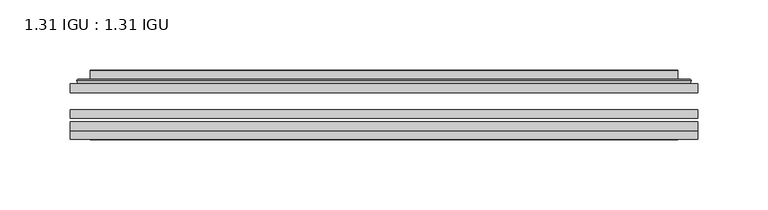
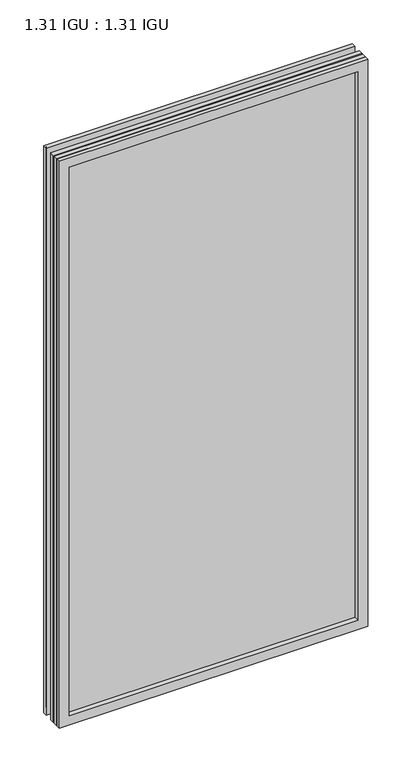
"""IFC4 building model written with IfcOpenShell, lengths in millimetres: plate geometry, 1.31 IGU : 1.31 IGU."""

import ifcopenshell
import ifcopenshell.guid

model = None  # the IFC model being written
_history = None  # IfcOwnerHistory: only IFC2X3 demands one
_inside = {}  # id of a spatial element -> (the spatial element, [elements in it])
_under = {}  # id of a project, library or spatial element -> (it, [spatial elements below it])
_declared = {}  # id of a project -> (the project, [libraries it declares])
_typed = {}  # id of a type object -> (the type object, [elements of that type])
_made_of = {}  # id of a material, layer set ... -> (it, [elements and type objects made of it])


def new_model(schema):
    """Start an empty IFC model of exactly this schema.

    Asked for "IFC4X3", IfcOpenShell would pick the latest addendum, in which some entities
    have other attributes; the version numbers below select the first issue.
    IFC2X3 requires an IfcOwnerHistory on every rooted entity: one is made here for all.
    """
    global model, _history
    if schema == "IFC4X3":
        model = ifcopenshell.file(schema_version=(4, 3, 0, 0))
    else:
        model = ifcopenshell.file(schema=schema)
    _inside.clear()
    _under.clear()
    _declared.clear()
    _typed.clear()
    _made_of.clear()
    _history = None
    if model.schema == "IFC2X3":
        org = make("IfcOrganization", Name="unknown")
        user = make(
            "IfcPersonAndOrganization",
            ThePerson=make("IfcPerson", FamilyName="unknown"),
            TheOrganization=org,
        )
        app = make(
            "IfcApplication",
            ApplicationDeveloper=org,
            Version="unknown",
            ApplicationFullName="unknown",
            ApplicationIdentifier="unknown",
        )
        _history = make(
            "IfcOwnerHistory",
            OwningUser=user,
            OwningApplication=app,
            ChangeAction="ADDED",
            CreationDate=0,
        )
    return model


def make(cls, **values):
    """One entity of the class cls with the attributes given. An attribute that is None is left unset."""
    return model.create_entity(
        cls, **{name: value for name, value in values.items() if value is not None}
    )


def rooted(cls, **values):
    """An entity with a GlobalId (a new one), such as an element, a storey or a relation."""
    return make(cls, GlobalId=ifcopenshell.guid.new(), OwnerHistory=_history, **values)


def si_unit(unit_type, name, prefix=None):
    """IfcSIUnit, for example si_unit("LENGTHUNIT", "METRE", prefix="MILLI")."""
    return make("IfcSIUnit", UnitType=unit_type, Prefix=prefix, Name=name)


def assignment(units):
    """IfcUnitAssignment: the units of a project."""
    return None if units is None else make("IfcUnitAssignment", Units=units)


def point(xyz):
    """IfcCartesianPoint."""
    return None if xyz is None else make("IfcCartesianPoint", Coordinates=xyz)


def direction(xyz):
    """IfcDirection."""
    return None if xyz is None else make("IfcDirection", DirectionRatios=xyz)


def frame(location, z_axis=None, x_axis=None):
    """IfcAxis2Placement3D, a coordinate frame: its origin and axes. An axis left out is left unset."""
    return make(
        "IfcAxis2Placement3D",
        Location=point(location),
        Axis=direction(z_axis),
        RefDirection=direction(x_axis),
    )


def origin():
    """The frame at (0, 0, 0) with its axes left unset."""
    return frame((0.0, 0.0, 0.0))


def place(relative_to, where):
    """IfcLocalPlacement: puts the frame where relative to a parent placement (None: the world)."""
    return make(
        "IfcLocalPlacement", PlacementRelTo=relative_to, RelativePlacement=where
    )


def context(
    kind, dimensions, precision=None, world=None, true_north=None, identifier=None
):
    """IfcGeometricRepresentationContext, for example the 3D "Model" context."""
    return make(
        "IfcGeometricRepresentationContext",
        ContextIdentifier=identifier,
        ContextType=kind,
        CoordinateSpaceDimension=dimensions,
        Precision=precision,
        WorldCoordinateSystem=world,
        TrueNorth=true_north,
    )


def project(units=None, contexts=None):
    """IfcProject with its units and contexts."""
    return rooted(
        "IfcProject",
        Name="project",
        RepresentationContexts=contexts,
        UnitsInContext=assignment(units),
    )


def spatial(cls, under=None, at=None, **own):
    """A site, building, storey or space (cls), placed at a placement, below another one or the project."""
    s = rooted(cls, ObjectPlacement=at, **own)
    if under is not None:
        _under.setdefault(under.id(), (under, []))[1].append(s)
    return s


def polyline(points):
    """IfcPolyline through the points."""
    return make("IfcPolyline", Points=[point(p) for p in points])


def ellipse_curve(where, semi_axis1, semi_axis2):
    """IfcEllipse in the frame where."""
    return make(
        "IfcEllipse", Position=where, SemiAxis1=semi_axis1, SemiAxis2=semi_axis2
    )


def outline(outer, holes=None, kind="AREA"):
    """IfcArbitraryClosedProfileDef: a profile drawn as a closed curve; with holes, ...WithVoids."""
    if holes is None:
        return make("IfcArbitraryClosedProfileDef", ProfileType=kind, OuterCurve=outer)
    return make(
        "IfcArbitraryProfileDefWithVoids",
        ProfileType=kind,
        OuterCurve=outer,
        InnerCurves=holes,
    )


def extrude(swept, where, along, depth):
    """IfcExtrudedAreaSolid: the profile swept, set in the frame where, extruded along a direction by depth."""
    return make(
        "IfcExtrudedAreaSolid",
        SweptArea=swept,
        Position=where,
        ExtrudedDirection=direction(along),
        Depth=depth,
    )


def faces_of(points, faces, orient=None, outer=None):
    """IfcFace entities. A face is a list of loops; a loop is a list of indices into points, from 0.

    orient and outer hold one flag for each loop. By default every Orientation is true, the
    first loop of a face is its IfcFaceOuterBound and the others are IfcFaceBound.
    """
    made = []
    for i, loops in enumerate(faces):
        bounds = []
        for j, loop in enumerate(loops):
            is_outer = j == 0 if outer is None else outer[i][j]
            bounds.append(
                make(
                    "IfcFaceOuterBound" if is_outer else "IfcFaceBound",
                    Bound=make("IfcPolyLoop", Polygon=[points[k] for k in loop]),
                    Orientation=True if orient is None else orient[i][j],
                )
            )
        made.append(make("IfcFace", Bounds=bounds))
    return made


def faceted_brep(points, faces, orient=None, outer=None, voids=None):
    """IfcFacetedBrep: a solid bounded by flat faces; with voids (closed shells), ...WithVoids."""
    shared = [point(p) for p in points]
    hull = make("IfcClosedShell", CfsFaces=faces_of(shared, faces, orient, outer))
    if voids is None:
        return make("IfcFacetedBrep", Outer=hull)
    return make(
        "IfcFacetedBrepWithVoids",
        Outer=hull,
        Voids=[
            make(cls, CfsFaces=faces_of(shared, fs, o, b)) for cls, fs, o, b in voids
        ],
    )


def shape(context_of_items, identifier, shape_type, items):
    """IfcShapeRepresentation: the items that make up one representation, for example the "Body"."""
    return make(
        "IfcShapeRepresentation",
        ContextOfItems=context_of_items,
        RepresentationIdentifier=identifier,
        RepresentationType=shape_type,
        Items=items,
    )


def source(mapping_origin, context_of_items, identifier, shape_type, items):
    """IfcRepresentationMap: a shape defined once, which mapped items show again and again."""
    return make(
        "IfcRepresentationMap",
        MappingOrigin=mapping_origin,
        MappedRepresentation=shape(context_of_items, identifier, shape_type, items),
    )


def transform(
    local_origin,
    x_axis=None,
    y_axis=None,
    z_axis=None,
    scale=None,
    scale2=None,
    scale3=None,
    uniform=True,
):
    """IfcCartesianTransformationOperator3D, or its non-uniform kind. x_axis, y_axis, z_axis: its Axis1, 2, 3."""
    if uniform:
        return make(
            "IfcCartesianTransformationOperator3D",
            Axis1=direction(x_axis),
            Axis2=direction(y_axis),
            LocalOrigin=point(local_origin),
            Scale=scale,
            Axis3=direction(z_axis),
        )
    return make(
        "IfcCartesianTransformationOperator3DnonUniform",
        Axis1=direction(x_axis),
        Axis2=direction(y_axis),
        LocalOrigin=point(local_origin),
        Scale=scale,
        Axis3=direction(z_axis),
        Scale2=scale2,
        Scale3=scale3,
    )


def mapped(mapping_source, mapping_target):
    """IfcMappedItem: shows the shape of a source again, moved by a transform."""
    return make(
        "IfcMappedItem", MappingSource=mapping_source, MappingTarget=mapping_target
    )


def made_of(thing, what):
    """Note that an element or type object is made of a material, layer set ...; save() writes the relation."""
    if what is not None:
        _made_of.setdefault(what.id(), (what, []))[1].append(thing)
    return thing


def element(
    cls,
    number,
    at=None,
    inside=None,
    cuts=None,
    type_object=None,
    material=None,
    context=None,
    identifier="Body",
    shape_type=None,
    held_by="IfcProductDefinitionShape",
    body=None,
    shapes=None,
    **own,
):
    """One element of the class cls, such as IfcWall. Its Tag is "e" and its number.

    at: its placement. inside: the storey or other place that contains it. cuts: it is an
    opening in that element (IfcRelVoidsElement). A single representation is given by context,
    identifier, shape_type and body (its items); several are given by shapes. held_by: the class
    of the entity that holds the representations. save() writes the other relations.
    """
    e = rooted(cls, Tag="e%d" % number, ObjectPlacement=at, **own)
    if body is not None:
        shapes = [shape(context, identifier, shape_type, body)]
    if shapes is not None:
        e.Representation = make(held_by, Representations=shapes)
    if inside is not None:
        _inside.setdefault(inside.id(), (inside, []))[1].append(e)
    if cuts is not None:
        rooted(
            "IfcRelVoidsElement", RelatingBuildingElement=cuts, RelatedOpeningElement=e
        )
    if type_object is not None:
        _typed.setdefault(type_object.id(), (type_object, []))[1].append(e)
    return made_of(e, material)


def aggregate(whole, parts):
    """IfcRelAggregates: a whole, such as a stair, and the parts it consists of."""
    return rooted("IfcRelAggregates", RelatingObject=whole, RelatedObjects=parts)


def save(model, path):
    """Write the relations noted so far, then the file.

    IfcRelAggregates (storeys below a building ...), IfcRelContainedInSpatialStructure (elements
    in a storey), IfcRelDefinesByType, IfcRelAssociatesMaterial and IfcRelDeclares: one each for
    every whole, place, type object, material and project.
    """
    for whole, parts in _under.values():
        aggregate(whole, parts)
    for where, things in _inside.values():
        rooted(
            "IfcRelContainedInSpatialStructure",
            RelatedElements=things,
            RelatingStructure=where,
        )
    for kind, things in _typed.values():
        rooted("IfcRelDefinesByType", RelatedObjects=things, RelatingType=kind)
    for what, things in _made_of.values():
        rooted("IfcRelAssociatesMaterial", RelatedObjects=things, RelatingMaterial=what)
    for by, libraries in _declared.values():
        rooted("IfcRelDeclares", RelatingContext=by, RelatedDefinitions=libraries)
    model.write(path)


def plane_surface(at):
    """IfcPlane: the flat surface through the origin of the frame at, square to its z axis."""
    return make("IfcPlane", Position=at)


def cylinder_surface(at, radius):
    """IfcCylindricalSurface: all points at the distance radius from the z axis of the frame at."""
    return make("IfcCylindricalSurface", Position=at, Radius=radius)


def advanced_brep(points, edges, surfaces, faces):
    """IfcAdvancedBrep: a solid bounded by faces that lie on surfaces and meet in shared edges.

    An edge is (start, end): straight between two places in points (the first is 0);
    or (start, end, curve); or (start, end, curve, False) where it runs against its curve.
    A face is (place in surfaces, loops), or (place, loops, False) where it looks against
    its surface's normal. A loop lists edges by number (the first is 1), with a minus sign
    where the edge is run from its end to its start. The first loop is the outer one.
    """
    corners = [point(p) for p in points]
    vertices = [make("IfcVertexPoint", VertexGeometry=c) for c in corners]
    made = []
    for start, end, *more in edges:
        made.append(
            make(
                "IfcEdgeCurve",
                EdgeStart=vertices[start],
                EdgeEnd=vertices[end],
                EdgeGeometry=more[0] if more else make("IfcPolyline", Points=[corners[start], corners[end]]),
                SameSense=more[1] if len(more) > 1 else True,
            )
        )
    hull = []
    for where, loops, *sense in faces:
        bounds = []
        for j, loop in enumerate(loops):
            ring = [make("IfcOrientedEdge", EdgeElement=made[abs(k) - 1], Orientation=k > 0) for k in loop]
            bounds.append(
                make(
                    "IfcFaceOuterBound" if j == 0 else "IfcFaceBound",
                    Bound=make("IfcEdgeLoop", EdgeList=ring),
                    Orientation=True,
                )
            )
        hull.append(make("IfcAdvancedFace", Bounds=bounds, FaceSurface=surfaces[where], SameSense=sense[0] if sense else True))
    return make("IfcAdvancedBrep", Outer=make("IfcClosedShell", CfsFaces=hull))


def plate_1_31_igu_1_31_igu_6e822919(model_context):
    return source(origin(), model_context, "Body", "SolidModel", [
        extrude(outline(polyline([(223.851675, -63.59525), (223.851675, -69.94525), (-223.8375, -69.94525), (-223.8375, -63.59525), (223.851675, -63.59525)])), frame((0.0, 0.0, -14.2875), z_axis=(0.0, 0.0, 1.0), x_axis=(1.0, 0.0, 0.0)), (0.0, 0.0, 1.0), 869.9537979),
        extrude(outline(polyline([(-223.8375, -78.58125), (-223.8375, -72.230745), (223.851675, -72.230745), (223.851675, -78.58125), (-223.8375, -78.58125)])), frame((0.0, 0.0, -14.2875), z_axis=(0.0, 0.0, 1.0), x_axis=(1.0, 0.0, 0.0)), (0.0, 0.0, 1.0), 869.9537979),
        extrude(outline(polyline([(223.851675, -45.25645), (223.851675, -51.60645), (-223.8375, -51.60645), (-223.8375, -45.25645), (223.851675, -45.25645)])), frame((0.0, 0.0, -14.2875), z_axis=(0.0, 0.0, 1.0), x_axis=(1.0, 0.0, 0.0)), (0.0, 0.0, 1.0), 869.9537979),
        faceted_brep([(-223.8502, -84.93125, 855.6752), (-223.8502, -78.58125, 855.6752), (-223.8502, -78.58125, -14.3002), (-223.8502, -84.93125, -14.3002), (223.8502, -78.58125, -14.3002), (223.8502, -84.93125, -14.3002), (223.8502, -78.58125, 855.6752), (223.8502, -84.93125, 855.6752), (-208.6522559, -78.58125, 0.8977441), (208.6522559, -78.58125, 0.8977441), (208.6522559, -78.58125, 840.4772559), (-208.6522559, -78.58125, 840.4772559), (-209.5446902, -84.93125, 841.3696902), (209.5446902, -84.93125, 841.3696902), (209.5446902, -84.93125, 0.0053098), (-209.5446902, -84.93125, 0.0053098)], [[[0, 1, 2, 3]], [[3, 2, 4, 5]], [[5, 4, 6, 7]], [[1, 6, 4, 2], [8, 9, 10, 11]], [[7, 6, 1, 0]], [[3, 5, 7, 0], [12, 13, 14, 15]], [[11, 12, 15, 8]], [[8, 15, 14, 9]], [[9, 14, 13, 10]], [[10, 13, 12, 11]]]),
        advanced_brep(
        [(-216.596219, -45.25645, 848.4212191), (-218.9504244, -43.2667833, 850.7754244), (-218.9504244, -43.2667833, -9.4004244), (-216.596219, -45.25645, -7.046219), (-207.5218939, -41.416413, 839.3468939), (-202.5870621, -45.25645, 834.4120621), (-202.5870621, -45.25645, 6.9629379), (-207.5218939, -41.416413, 2.0281061), (-208.5539217, -36.0191819, 840.3789217), (-208.5539217, -36.0191819, 0.9960783), (-209.5445784, -35.6202069, 841.3695784), (-209.5445784, -35.6202069, 0.0054216), (-209.5445784, -42.08145, 841.3695784), (-209.5445784, -42.08145, 0.0054216), (-217.9486349, -42.08145, 849.7736349), (-217.9486349, -42.08145, -8.3986349), (218.9504244, -43.2667833, -9.4004244), (216.596219, -45.25645, -7.046219), (202.5870621, -45.25645, 6.9629379), (207.5218939, -41.416413, 2.0281061), (208.5539217, -36.0191819, 0.9960783), (209.5445784, -35.6202069, 0.0054216), (209.5445784, -42.08145, 0.0054216), (217.9486349, -42.08145, -8.3986349), (218.9504244, -43.2667833, 850.7754244), (216.596219, -45.25645, 848.4212191), (202.5870621, -45.25645, 834.4120621), (207.5218939, -41.416413, 839.3468939), (208.5539217, -36.0191819, 840.3789217), (209.5445784, -35.6202069, 841.3695784), (209.5445784, -42.08145, 841.3695784), (217.9486349, -42.08145, 849.7736349)],
        [
            (0, 1, ellipse_curve(frame((-216.596219, -42.86885, 848.4212191), z_axis=(-0.7071067811865475, 0.0, -0.7071067811865475), x_axis=(-0.7071067811865474, 0.0, 0.7071067811865476)), 3.3765763, 2.3876)),
            (1, 2),
            (2, 3, ellipse_curve(frame((-216.596219, -42.86885, -7.046219), z_axis=(-0.7071067811865475, 0.0, 0.7071067811865475), x_axis=(0.7071067811865474, 0.0, 0.7071067811865476)), 3.3765763, 2.3876)),
            (3, 0),
            (4, 5),
            (5, 6),
            (6, 7),
            (7, 4),
            (8, 4),
            (7, 9),
            (9, 8),
            (10, 8, ellipse_curve(frame((-209.1776219, -36.1384423, 841.0026219), z_axis=(-0.7071067811865475, 0.0, -0.7071067811865475), x_axis=(-0.7071067811865474, 0.0, 0.7071067811865476)), 0.8980256, 0.635)),
            (9, 11, ellipse_curve(frame((-209.1776219, -36.1384423, 0.3723781), z_axis=(-0.7071067811865475, 0.0, 0.7071067811865475), x_axis=(0.7071067811865474, 0.0, 0.7071067811865476)), 0.8980256, 0.635)),
            (11, 10),
            (12, 10),
            (11, 13),
            (13, 12),
            (1, 14, ellipse_curve(frame((-217.9486349, -43.09745, 849.7736349), z_axis=(-0.7071067811865475, 0.0, -0.7071067811865475), x_axis=(-0.7071067811865474, 0.0, 0.7071067811865476)), 1.436841, 1.016)),
            (14, 15),
            (15, 2, ellipse_curve(frame((-217.9486349, -43.09745, -8.3986349), z_axis=(-0.7071067811865475, 0.0, 0.7071067811865475), x_axis=(0.7071067811865474, 0.0, 0.7071067811865476)), 1.436841, 1.016)),
            (2, 16),
            (16, 17, ellipse_curve(frame((216.596219, -42.86885, -7.046219), z_axis=(-0.7071067811865475, 0.0, -0.7071067811865475), x_axis=(-0.7071067811865476, 0.0, 0.7071067811865474)), 3.3765763, 2.3876)),
            (17, 3),
            (6, 18),
            (18, 19),
            (19, 7),
            (19, 20),
            (20, 9),
            (20, 21, ellipse_curve(frame((209.1776219, -36.1384423, 0.3723781), z_axis=(-0.7071067811865475, 0.0, -0.7071067811865475), x_axis=(-0.7071067811865476, 0.0, 0.7071067811865474)), 0.8980256, 0.635)),
            (21, 11),
            (21, 22),
            (22, 13),
            (15, 23),
            (23, 16, ellipse_curve(frame((217.9486349, -43.09745, -8.3986349), z_axis=(-0.7071067811865475, 0.0, -0.7071067811865475), x_axis=(-0.7071067811865476, 0.0, 0.7071067811865474)), 1.436841, 1.016)),
            (16, 24),
            (24, 25, ellipse_curve(frame((216.596219, -42.86885, 848.4212191), z_axis=(0.7071067811865475, 0.0, -0.7071067811865475), x_axis=(-0.7071067811865474, 0.0, -0.7071067811865476)), 3.3765763, 2.3876)),
            (25, 17),
            (18, 26),
            (26, 27),
            (27, 19),
            (27, 28),
            (28, 20),
            (28, 29, ellipse_curve(frame((209.1776219, -36.1384423, 841.0026219), z_axis=(0.7071067811865475, 0.0, -0.7071067811865475), x_axis=(-0.7071067811865474, 0.0, -0.7071067811865476)), 0.8980256, 0.635)),
            (29, 21),
            (29, 30),
            (30, 22),
            (23, 31),
            (31, 24, ellipse_curve(frame((217.9486349, -43.09745, 849.7736349), z_axis=(0.7071067811865475, 0.0, -0.7071067811865475), x_axis=(-0.7071067811865474, 0.0, -0.7071067811865476)), 1.436841, 1.016)),
            (24, 1),
            (0, 25),
            (5, 26),
            (4, 27),
            (8, 28),
            (10, 29),
            (12, 30),
            (14, 31),
        ],
        [
            cylinder_surface(frame((-216.596219, -42.86885, 873.125), z_axis=(0.0, 0.0, 1.0), x_axis=(-1.0, 0.0, 0.0)), 2.3876),
            plane_surface(frame((-202.5870621, -45.25645, 834.4120621), z_axis=(0.6141233906514794, 0.7892100234124821, 0.0), x_axis=(0.0, 0.0, -1.0))),
            plane_surface(frame((-207.5218939, -41.416413, 839.3468939), z_axis=(0.9822050625507729, 0.18781164793386076, 0.0), x_axis=(0.0, 0.0, -1.0))),
            cylinder_surface(frame((-209.1776219, -36.1384423, 873.125), z_axis=(0.0, 0.0, 1.0), x_axis=(-1.0, 0.0, 0.0)), 0.635),
            plane_surface(frame((-209.5445784, -35.6202069, 841.3695784), z_axis=(-1.0, 0.0, 0.0), x_axis=(0.0, 0.0, -1.0))),
            cylinder_surface(frame((-217.9486349, -43.09745, 873.125), z_axis=(0.0, 0.0, 1.0), x_axis=(-1.0, 0.0, 0.0)), 1.016),
            cylinder_surface(frame((-241.3, -42.86885, -7.046219), z_axis=(-1.0, 0.0, 0.0), x_axis=(0.0, 0.0, -1.0)), 2.3876),
            plane_surface(frame((-202.5870621, -45.25645, 6.9629379), z_axis=(0.0, 0.7892100234124841, 0.6141233906514768), x_axis=(1.0, 0.0, 0.0))),
            plane_surface(frame((-207.5218939, -41.416413, 2.0281061), z_axis=(0.0, 0.18781164793386393, 0.9822050625507723), x_axis=(1.0, 0.0, 0.0))),
            cylinder_surface(frame((-241.3, -36.1384423, 0.3723781), z_axis=(-1.0, 0.0, 0.0), x_axis=(0.0, 0.0, -1.0)), 0.635),
            plane_surface(frame((-209.5445784, -35.6202069, 0.0054216), z_axis=(0.0, 0.0, -1.0), x_axis=(1.0, 0.0, 0.0))),
            cylinder_surface(frame((-241.3, -43.09745, -8.3986349), z_axis=(-1.0, 0.0, 0.0), x_axis=(0.0, 0.0, -1.0)), 1.016),
            cylinder_surface(frame((216.596219, -42.86885, -31.75), z_axis=(0.0, 0.0, -1.0), x_axis=(1.0, 0.0, 0.0)), 2.3876),
            plane_surface(frame((202.5870621, -45.25645, 6.9629379), z_axis=(-0.6141233906514743, 0.7892100234124861, 0.0), x_axis=(0.0, 0.0, 1.0))),
            plane_surface(frame((207.5218939, -41.416413, 2.0281061), z_axis=(-0.9822050625507718, 0.1878116479338671, 0.0), x_axis=(0.0, 0.0, 1.0))),
            cylinder_surface(frame((209.1776219, -36.1384423, -31.75), z_axis=(0.0, 0.0, -1.0), x_axis=(1.0, 0.0, 0.0)), 0.635),
            plane_surface(frame((209.5445784, -35.6202069, 0.0054216), z_axis=(1.0, 0.0, 0.0), x_axis=(0.0, 0.0, 1.0))),
            cylinder_surface(frame((217.9486349, -43.09745, -31.75), z_axis=(0.0, 0.0, -1.0), x_axis=(1.0, 0.0, 0.0)), 1.016),
            cylinder_surface(frame((241.3, -42.86885, 848.4212191), z_axis=(1.0, 0.0, 0.0), x_axis=(0.0, 0.0, 1.0)), 2.3876),
            plane_surface(frame((216.596219, -45.25645, 848.4212191), z_axis=(0.0, -1.0, 0.0), x_axis=(-1.0, 0.0, 0.0))),
            plane_surface(frame((202.5870621, -45.25645, 834.4120621), z_axis=(0.0, 0.7892100234124841, -0.6141233906514768), x_axis=(-1.0, 0.0, 0.0))),
            plane_surface(frame((207.5218939, -41.416413, 839.3468939), z_axis=(0.0, 0.18781164793386393, -0.9822050625507723), x_axis=(-1.0, 0.0, 0.0))),
            cylinder_surface(frame((241.3, -36.1384423, 841.0026219), z_axis=(1.0, 0.0, 0.0), x_axis=(0.0, 0.0, 1.0)), 0.635),
            plane_surface(frame((209.5445784, -35.6202069, 841.3695784), z_axis=(0.0, 0.0, 1.0), x_axis=(-1.0, 0.0, 0.0))),
            plane_surface(frame((209.5445784, -42.08145, 841.3695784), z_axis=(0.0, 1.0, 0.0), x_axis=(-1.0, 0.0, 0.0))),
            cylinder_surface(frame((241.3, -43.09745, 849.7736349), z_axis=(1.0, 0.0, 0.0), x_axis=(0.0, 0.0, 1.0)), 1.016),
        ],
        [
            (0, [[1, 2, 3, 4]]),
            (1, [[5, 6, 7, 8]]),
            (2, [[9, -8, 10, 11]]),
            (3, [[12, -11, 13, 14]]),
            (4, [[15, -14, 16, 17]]),
            (5, [[18, 19, 20, -2]]),
            (6, [[-3, 21, 22, 23]]),
            (7, [[-7, 24, 25, 26]]),
            (8, [[-10, -26, 27, 28]]),
            (9, [[-13, -28, 29, 30]]),
            (10, [[-16, -30, 31, 32]]),
            (11, [[-20, 33, 34, -21]]),
            (12, [[-22, 35, 36, 37]]),
            (13, [[-25, 38, 39, 40]]),
            (14, [[-27, -40, 41, 42]]),
            (15, [[-29, -42, 43, 44]]),
            (16, [[-31, -44, 45, 46]]),
            (17, [[-34, 47, 48, -35]]),
            (18, [[-36, 49, -1, 50]]),
            (19, [[-23, -37, -50, -4], [51, -38, -24, -6]]),
            (20, [[-39, -51, -5, 52]]),
            (21, [[-41, -52, -9, 53]]),
            (22, [[-43, -53, -12, 54]]),
            (23, [[-45, -54, -15, 55]]),
            (24, [[56, -47, -33, -19], [-32, -46, -55, -17]]),
            (25, [[-48, -56, -18, -49]]),
        ],
    ),
    ])


if __name__ == "__main__":
    model = new_model("IFC4")
    model_context = context("Model", 3, world=origin())
    ifc_project = project(units=[si_unit("LENGTHUNIT", "METRE", prefix="MILLI")], contexts=[model_context])
    site = spatial("IfcSite", under=ifc_project)
    building = spatial("IfcBuilding", under=site)
    placement = place(None, origin())
    plate_1_31_igu_1_31_igu_shape = plate_1_31_igu_1_31_igu_6e822919(model_context)
    element("IfcPlate", 1, ObjectType="1.31 IGU : 1.31 IGU", at=placement, inside=building, context=model_context, shape_type="MappedRepresentation", body=[
        mapped(plate_1_31_igu_1_31_igu_shape, transform((0.0, 0.0, 0.0), x_axis=(1.0, 0.0, 0.0), y_axis=(0.0, 1.0, 0.0), z_axis=(0.0, 0.0, 1.0))),
    ])
    save(model, "model.ifc")
